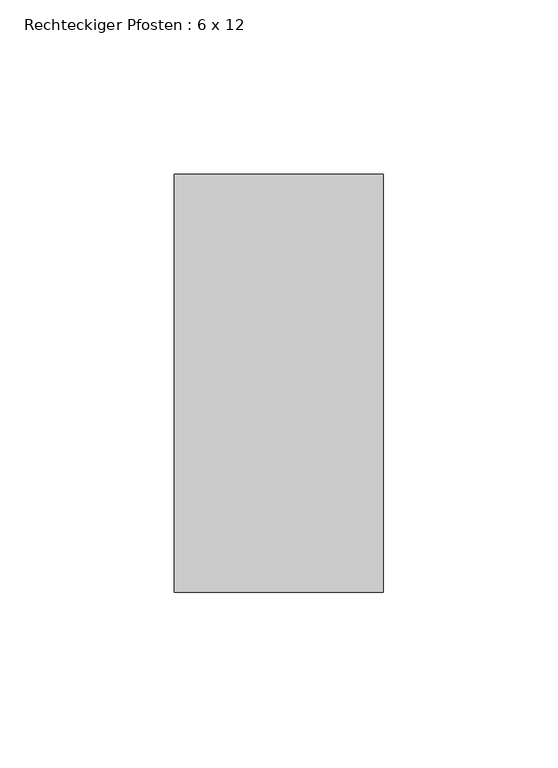
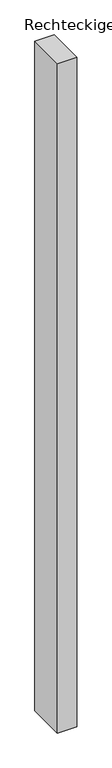
"""IFC4 building model written with IfcOpenShell, lengths in millimetres: member geometry, Rechteckiger Pfosten : 6 x 12."""

from ifc_helpers import new_model, si_unit, frame, origin, place, context, project, spatial, polyline, outline, extrude, source, transform, mapped, element, save


def rechteckiger_pfosten_6_x_12_18bbbe2e(model_context):
    return source(origin(), model_context, "Body", "SweptSolid", [
        extrude(outline(polyline([(30.0, 60.0), (30.0, -60.0), (-30.0, -60.0), (-30.0, 60.0), (30.0, 60.0)])), frame((0.0, 0.0, -2182.2426057), z_axis=(0.0, 0.0, 1.0), x_axis=(1.0, 0.0, 0.0)), (0.0, 0.0, 1.0), 2182.2426057),
    ])


if __name__ == "__main__":
    model = new_model("IFC4")
    model_context = context("Model", 3, world=origin())
    ifc_project = project(units=[si_unit("LENGTHUNIT", "METRE", prefix="MILLI")], contexts=[model_context])
    site = spatial("IfcSite", under=ifc_project)
    building = spatial("IfcBuilding", under=site)
    placement = place(None, origin())
    rechteckiger_pfosten_6_x_12_shape = rechteckiger_pfosten_6_x_12_18bbbe2e(model_context)
    element("IfcMember", 1, ObjectType="Rechteckiger Pfosten : 6 x 12", at=placement, inside=building, context=model_context, shape_type="MappedRepresentation", body=[
        mapped(rechteckiger_pfosten_6_x_12_shape, transform((0.0, 0.0, 0.0), x_axis=(1.0, 0.0, 0.0), y_axis=(0.0, 1.0, 0.0), z_axis=(0.0, 0.0, 1.0))),
    ])
    save(model, "model.ifc")
